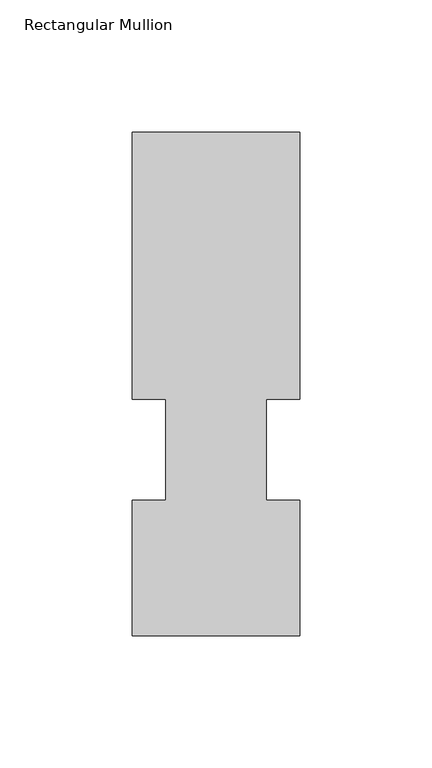
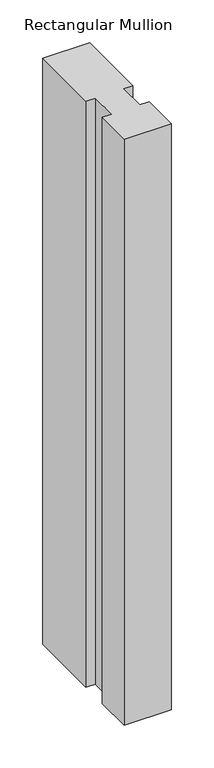
"""IFC4 building model written with IfcOpenShell, lengths in millimetres: member geometry, Rectangular Mullion."""

import ifcopenshell
import ifcopenshell.guid

model = None  # the IFC model being written
_history = None  # IfcOwnerHistory: only IFC2X3 demands one
_inside = {}  # id of a spatial element -> (the spatial element, [elements in it])
_under = {}  # id of a project, library or spatial element -> (it, [spatial elements below it])
_declared = {}  # id of a project -> (the project, [libraries it declares])
_typed = {}  # id of a type object -> (the type object, [elements of that type])
_made_of = {}  # id of a material, layer set ... -> (it, [elements and type objects made of it])


def new_model(schema):
    """Start an empty IFC model of exactly this schema.

    Asked for "IFC4X3", IfcOpenShell would pick the latest addendum, in which some entities
    have other attributes; the version numbers below select the first issue.
    IFC2X3 requires an IfcOwnerHistory on every rooted entity: one is made here for all.
    """
    global model, _history
    if schema == "IFC4X3":
        model = ifcopenshell.file(schema_version=(4, 3, 0, 0))
    else:
        model = ifcopenshell.file(schema=schema)
    _inside.clear()
    _under.clear()
    _declared.clear()
    _typed.clear()
    _made_of.clear()
    _history = None
    if model.schema == "IFC2X3":
        org = make("IfcOrganization", Name="unknown")
        user = make(
            "IfcPersonAndOrganization",
            ThePerson=make("IfcPerson", FamilyName="unknown"),
            TheOrganization=org,
        )
        app = make(
            "IfcApplication",
            ApplicationDeveloper=org,
            Version="unknown",
            ApplicationFullName="unknown",
            ApplicationIdentifier="unknown",
        )
        _history = make(
            "IfcOwnerHistory",
            OwningUser=user,
            OwningApplication=app,
            ChangeAction="ADDED",
            CreationDate=0,
        )
    return model


def make(cls, **values):
    """One entity of the class cls with the attributes given. An attribute that is None is left unset."""
    return model.create_entity(
        cls, **{name: value for name, value in values.items() if value is not None}
    )


def rooted(cls, **values):
    """An entity with a GlobalId (a new one), such as an element, a storey or a relation."""
    return make(cls, GlobalId=ifcopenshell.guid.new(), OwnerHistory=_history, **values)


def si_unit(unit_type, name, prefix=None):
    """IfcSIUnit, for example si_unit("LENGTHUNIT", "METRE", prefix="MILLI")."""
    return make("IfcSIUnit", UnitType=unit_type, Prefix=prefix, Name=name)


def assignment(units):
    """IfcUnitAssignment: the units of a project."""
    return None if units is None else make("IfcUnitAssignment", Units=units)


def point(xyz):
    """IfcCartesianPoint."""
    return None if xyz is None else make("IfcCartesianPoint", Coordinates=xyz)


def direction(xyz):
    """IfcDirection."""
    return None if xyz is None else make("IfcDirection", DirectionRatios=xyz)


def frame(location, z_axis=None, x_axis=None):
    """IfcAxis2Placement3D, a coordinate frame: its origin and axes. An axis left out is left unset."""
    return make(
        "IfcAxis2Placement3D",
        Location=point(location),
        Axis=direction(z_axis),
        RefDirection=direction(x_axis),
    )


def origin():
    """The frame at (0, 0, 0) with its axes left unset."""
    return frame((0.0, 0.0, 0.0))


def place(relative_to, where):
    """IfcLocalPlacement: puts the frame where relative to a parent placement (None: the world)."""
    return make(
        "IfcLocalPlacement", PlacementRelTo=relative_to, RelativePlacement=where
    )


def context(
    kind, dimensions, precision=None, world=None, true_north=None, identifier=None
):
    """IfcGeometricRepresentationContext, for example the 3D "Model" context."""
    return make(
        "IfcGeometricRepresentationContext",
        ContextIdentifier=identifier,
        ContextType=kind,
        CoordinateSpaceDimension=dimensions,
        Precision=precision,
        WorldCoordinateSystem=world,
        TrueNorth=true_north,
    )


def project(units=None, contexts=None):
    """IfcProject with its units and contexts."""
    return rooted(
        "IfcProject",
        Name="project",
        RepresentationContexts=contexts,
        UnitsInContext=assignment(units),
    )


def spatial(cls, under=None, at=None, **own):
    """A site, building, storey or space (cls), placed at a placement, below another one or the project."""
    s = rooted(cls, ObjectPlacement=at, **own)
    if under is not None:
        _under.setdefault(under.id(), (under, []))[1].append(s)
    return s


def polyline(points):
    """IfcPolyline through the points."""
    return make("IfcPolyline", Points=[point(p) for p in points])


def outline(outer, holes=None, kind="AREA"):
    """IfcArbitraryClosedProfileDef: a profile drawn as a closed curve; with holes, ...WithVoids."""
    if holes is None:
        return make("IfcArbitraryClosedProfileDef", ProfileType=kind, OuterCurve=outer)
    return make(
        "IfcArbitraryProfileDefWithVoids",
        ProfileType=kind,
        OuterCurve=outer,
        InnerCurves=holes,
    )


def extrude(swept, where, along, depth):
    """IfcExtrudedAreaSolid: the profile swept, set in the frame where, extruded along a direction by depth."""
    return make(
        "IfcExtrudedAreaSolid",
        SweptArea=swept,
        Position=where,
        ExtrudedDirection=direction(along),
        Depth=depth,
    )


def shape(context_of_items, identifier, shape_type, items):
    """IfcShapeRepresentation: the items that make up one representation, for example the "Body"."""
    return make(
        "IfcShapeRepresentation",
        ContextOfItems=context_of_items,
        RepresentationIdentifier=identifier,
        RepresentationType=shape_type,
        Items=items,
    )


def source(mapping_origin, context_of_items, identifier, shape_type, items):
    """IfcRepresentationMap: a shape defined once, which mapped items show again and again."""
    return make(
        "IfcRepresentationMap",
        MappingOrigin=mapping_origin,
        MappedRepresentation=shape(context_of_items, identifier, shape_type, items),
    )


def transform(
    local_origin,
    x_axis=None,
    y_axis=None,
    z_axis=None,
    scale=None,
    scale2=None,
    scale3=None,
    uniform=True,
):
    """IfcCartesianTransformationOperator3D, or its non-uniform kind. x_axis, y_axis, z_axis: its Axis1, 2, 3."""
    if uniform:
        return make(
            "IfcCartesianTransformationOperator3D",
            Axis1=direction(x_axis),
            Axis2=direction(y_axis),
            LocalOrigin=point(local_origin),
            Scale=scale,
            Axis3=direction(z_axis),
        )
    return make(
        "IfcCartesianTransformationOperator3DnonUniform",
        Axis1=direction(x_axis),
        Axis2=direction(y_axis),
        LocalOrigin=point(local_origin),
        Scale=scale,
        Axis3=direction(z_axis),
        Scale2=scale2,
        Scale3=scale3,
    )


def mapped(mapping_source, mapping_target):
    """IfcMappedItem: shows the shape of a source again, moved by a transform."""
    return make(
        "IfcMappedItem", MappingSource=mapping_source, MappingTarget=mapping_target
    )


def made_of(thing, what):
    """Note that an element or type object is made of a material, layer set ...; save() writes the relation."""
    if what is not None:
        _made_of.setdefault(what.id(), (what, []))[1].append(thing)
    return thing


def element(
    cls,
    number,
    at=None,
    inside=None,
    cuts=None,
    type_object=None,
    material=None,
    context=None,
    identifier="Body",
    shape_type=None,
    held_by="IfcProductDefinitionShape",
    body=None,
    shapes=None,
    **own,
):
    """One element of the class cls, such as IfcWall. Its Tag is "e" and its number.

    at: its placement. inside: the storey or other place that contains it. cuts: it is an
    opening in that element (IfcRelVoidsElement). A single representation is given by context,
    identifier, shape_type and body (its items); several are given by shapes. held_by: the class
    of the entity that holds the representations. save() writes the other relations.
    """
    e = rooted(cls, Tag="e%d" % number, ObjectPlacement=at, **own)
    if body is not None:
        shapes = [shape(context, identifier, shape_type, body)]
    if shapes is not None:
        e.Representation = make(held_by, Representations=shapes)
    if inside is not None:
        _inside.setdefault(inside.id(), (inside, []))[1].append(e)
    if cuts is not None:
        rooted(
            "IfcRelVoidsElement", RelatingBuildingElement=cuts, RelatedOpeningElement=e
        )
    if type_object is not None:
        _typed.setdefault(type_object.id(), (type_object, []))[1].append(e)
    return made_of(e, material)


def aggregate(whole, parts):
    """IfcRelAggregates: a whole, such as a stair, and the parts it consists of."""
    return rooted("IfcRelAggregates", RelatingObject=whole, RelatedObjects=parts)


def save(model, path):
    """Write the relations noted so far, then the file.

    IfcRelAggregates (storeys below a building ...), IfcRelContainedInSpatialStructure (elements
    in a storey), IfcRelDefinesByType, IfcRelAssociatesMaterial and IfcRelDeclares: one each for
    every whole, place, type object, material and project.
    """
    for whole, parts in _under.values():
        aggregate(whole, parts)
    for where, things in _inside.values():
        rooted(
            "IfcRelContainedInSpatialStructure",
            RelatedElements=things,
            RelatingStructure=where,
        )
    for kind, things in _typed.values():
        rooted("IfcRelDefinesByType", RelatedObjects=things, RelatingType=kind)
    for what, things in _made_of.values():
        rooted("IfcRelAssociatesMaterial", RelatedObjects=things, RelatingMaterial=what)
    for by, libraries in _declared.values():
        rooted("IfcRelDeclares", RelatingContext=by, RelatedDefinitions=libraries)
    model.write(path)


def rectangular_mullion_84135534(model_context):
    return source(origin(), model_context, "Body", "SweptSolid", [
        extrude(outline(polyline([(-31.75, 190.7881312), (31.75, 190.7881312), (31.75, 89.5945313), (19.05, 89.5945313), (19.05, 51.4945313), (31.75, 51.4945313), (31.75, 0.2119313), (-31.75, 0.2119313), (-31.75, 51.4945313), (-19.05, 51.4945313), (-19.05, 89.5945313), (-31.75, 89.5945313), (-31.75, 190.7881312)])), frame((0.0, 0.0, -838.2000001), z_axis=(0.0, 0.0, 1.0), x_axis=(1.0, 0.0, 0.0)), (0.0, 0.0, 1.0), 838.2000001),
    ])


if __name__ == "__main__":
    model = new_model("IFC4")
    model_context = context("Model", 3, world=origin())
    ifc_project = project(units=[si_unit("LENGTHUNIT", "METRE", prefix="MILLI")], contexts=[model_context])
    site = spatial("IfcSite", under=ifc_project)
    building = spatial("IfcBuilding", under=site)
    placement = place(None, origin())
    rectangular_mullion_shape = rectangular_mullion_84135534(model_context)
    element("IfcMember", 1, ObjectType="Rectangular Mullion", at=placement, inside=building, context=model_context, shape_type="MappedRepresentation", body=[
        mapped(rectangular_mullion_shape, transform((0.0, 0.0, 0.0), x_axis=(1.0, 0.0, 0.0), y_axis=(0.0, 1.0, 0.0), z_axis=(0.0, 0.0, 1.0))),
    ])
    save(model, "model.ifc")
